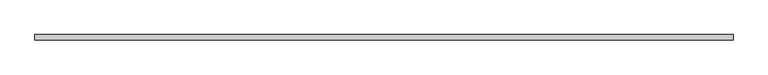
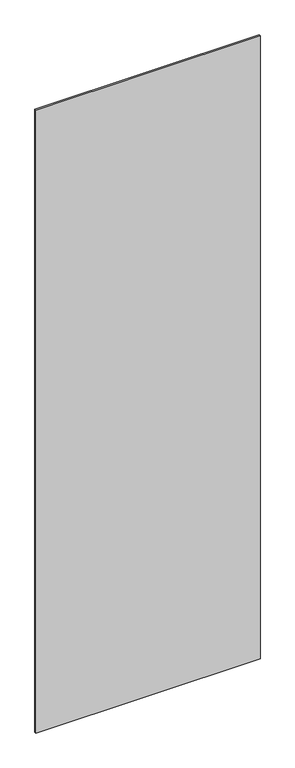
"""IFC4 building model written with IfcOpenShell, lengths in millimetres: plate geometry."""

from ifc_helpers import new_model, si_unit, origin, origin_with_axes, place, context, project, spatial, polyline, outline, extrude, source, transform, mapped, element, save


def plate_30870433(model_context):
    return source(origin(), model_context, "Body", "SweptSolid", [
        extrude(outline(polyline([(656.875, -5.0), (-656.875, -5.0), (-656.875, 5.0), (656.875, 5.0), (656.875, -5.0)])), origin_with_axes(), (0.0, 0.0, 1.0), 3860.0),
    ])


if __name__ == "__main__":
    model = new_model("IFC4")
    model_context = context("Model", 3, world=origin())
    ifc_project = project(units=[si_unit("LENGTHUNIT", "METRE", prefix="MILLI")], contexts=[model_context])
    site = spatial("IfcSite", under=ifc_project)
    building = spatial("IfcBuilding", under=site)
    placement = place(None, origin())
    plate_shape = plate_30870433(model_context)
    element("IfcPlate", 1, at=placement, inside=building, context=model_context, shape_type="MappedRepresentation", body=[
        mapped(plate_shape, transform((0.0, 0.0, 0.0), x_axis=(1.0, 0.0, 0.0), y_axis=(0.0, 1.0, 0.0), z_axis=(0.0, 0.0, 1.0))),
    ])
    save(model, "model.ifc")
